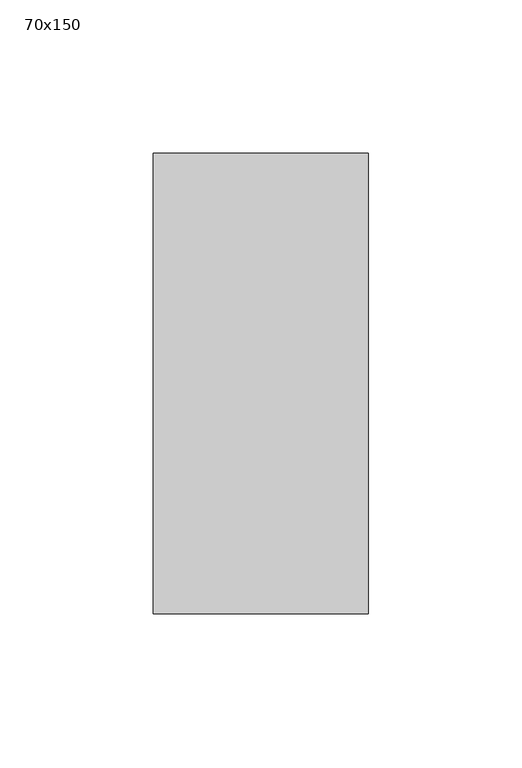
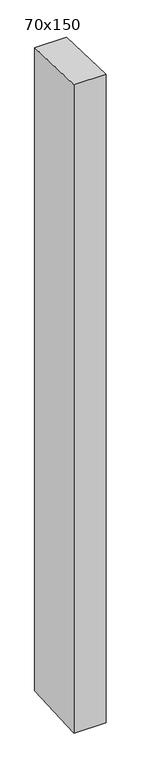
"""IFC4 building model written with IfcOpenShell, lengths in millimetres: member geometry, 70x150."""

from ifc_helpers import new_model, si_unit, frame, origin, place, context, project, spatial, polyline, outline, extrude, source, transform, mapped, element, save


def member_70x150_e1fdee06(model_context):
    return source(origin(), model_context, "Body", "SweptSolid", [
        extrude(outline(polyline([(-75.0, 2.4560751), (75.0, -2.4560751), (75.0, -1496.0234266), (-75.0, -1503.9694498), (-75.0, 2.4560751)])), frame((-35.0, 0.0, 0.0), z_axis=(1.0, 0.0, 0.0), x_axis=(0.0, 1.0, 0.0)), (0.0, 0.0, 1.0), 70.0),
    ])


if __name__ == "__main__":
    model = new_model("IFC4")
    model_context = context("Model", 3, world=origin())
    ifc_project = project(units=[si_unit("LENGTHUNIT", "METRE", prefix="MILLI")], contexts=[model_context])
    site = spatial("IfcSite", under=ifc_project)
    building = spatial("IfcBuilding", under=site)
    placement = place(None, origin())
    member_70x150_shape = member_70x150_e1fdee06(model_context)
    element("IfcMember", 1, ObjectType="70x150", at=placement, inside=building, context=model_context, shape_type="MappedRepresentation", body=[
        mapped(member_70x150_shape, transform((0.0, 0.0, 0.0), x_axis=(1.0, 0.0, 0.0), y_axis=(0.0, 1.0, 0.0), z_axis=(0.0, 0.0, 1.0))),
    ])
    save(model, "model.ifc")
